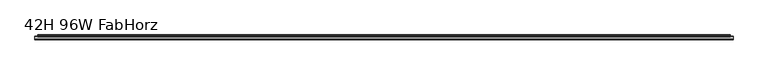
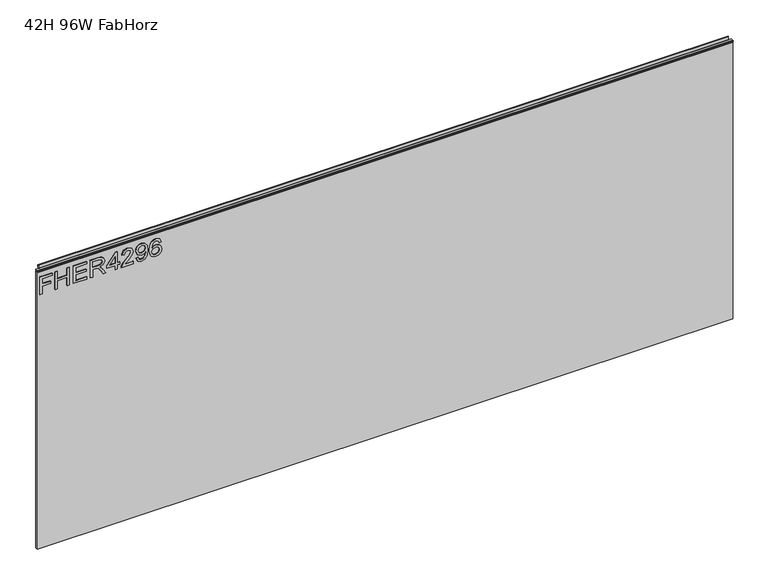
"""IFC4 building model written with IfcOpenShell, lengths in millimetres: furniture geometry, 42H 96W FabHorz."""

from ifc_helpers import new_model, si_unit, frame, origin, place, context, project, spatial, polyline, outline, extrude, source, transform, mapped, element, save


def furniture_42h_96w_fabhorz_49b9e7a6(model_context):
    return source(origin(), model_context, "Body", "SweptSolid", [
        extrude(outline(polyline([(951.4078, -291.2189953), (951.4078, -283.2452757), (980.3125336, -283.2452757), (980.3125336, -253.3438271), (988.2862532, -253.3438271), (988.2862532, -283.2452757), (1007.2238373, -283.2452757), (1007.2238373, -248.3602524), (1015.1975569, -248.3602524), (1015.1975569, -291.2189953), (951.4078, -291.2189953)])), frame((0.0, -5.5562439, 0.0), z_axis=(0.0, 1.0, 0.0), x_axis=(0.0, 0.0, 1.0)), (0.0, 0.0, 1.0), 2.38125),
        extrude(outline(polyline([(951.4078, -237.3963879), (951.4078, -229.4226683), (981.3092486, -229.4226683), (981.3092486, -195.5343599), (951.4078, -195.5343599), (951.4078, -187.5606403), (1015.1975569, -187.5606403), (1015.1975569, -195.5343599), (989.2829682, -195.5343599), (989.2829682, -229.4226683), (1015.1975569, -229.4226683), (1015.1975569, -237.3963879), (951.4078, -237.3963879)])), frame((0.0, -5.5562439, 0.0), z_axis=(0.0, 1.0, 0.0), x_axis=(0.0, 0.0, 1.0)), (0.0, 0.0, 1.0), 2.38125),
        extrude(outline(polyline([(951.4078, -173.606631), (951.4078, -126.7610282), (959.3815196, -126.7610282), (959.3815196, -165.6329113), (980.3125336, -165.6329113), (980.3125336, -129.7511731), (988.2862532, -129.7511731), (988.2862532, -165.6329113), (1007.2238373, -165.6329113), (1007.2238373, -127.7577432), (1015.1975569, -127.7577432), (1015.1975569, -173.606631), (951.4078, -173.606631)])), frame((0.0, -5.5562439, 0.0), z_axis=(0.0, 1.0, 0.0), x_axis=(0.0, 0.0, 1.0)), (0.0, 0.0, 1.0), 2.38125),
        extrude(outline(polyline([(951.4078, -114.8004488), (951.4078, -106.8267292), (979.3158187, -106.8267292), (979.3158187, -97.2022004), (979.0354926, -92.5768201), (977.5170596, -88.7846312), (973.38225, -84.5719531), (964.6298468, -78.5760897), (951.4078, -70.275323), (951.4078, -61.0089887), (968.694575, -71.6458061), (976.9018996, -78.1088796), (980.3125336, -82.6408179), (986.2461023, -69.2863949), (997.7394716, -64.9647012), (1007.3873609, -67.5732911), (1013.4766663, -74.5502957), (1015.1975569, -87.3129192), (1015.1975569, -114.8004488), (951.4078, -114.8004488)]), holes=[polyline([(987.2895383, -106.8267292), (1007.2238373, -106.8267292), (1007.2238373, -86.9702985), (1004.4672975, -76.3101206), (997.4435719, -72.9384208), (992.0317211, -74.7060325), (988.4186294, -79.8764913), (987.2895383, -88.9793021), (987.2895383, -106.8267292)])]), frame((0.0, -5.5562439, 0.0), z_axis=(0.0, 1.0, 0.0), x_axis=(0.0, 0.0, 1.0)), (0.0, 0.0, 1.0), 2.38125),
        extrude(outline(polyline([(951.4078, -28.0862479), (951.4078, -20.1125283), (966.3585243, -20.1125283), (966.3585243, -12.1388087), (974.3322439, -12.1388087), (974.3322439, -20.1125283), (1014.200842, -20.1125283), (1014.200842, -26.092818), (974.3322439, -56.9909816), (966.3585243, -56.9909816), (966.3585243, -28.0862479), (951.4078, -28.0862479)]), holes=[polyline([(974.3322439, -28.0862479), (974.3322439, -47.1795687), (998.9697916, -28.0862479), (974.3322439, -28.0862479)])]), frame((0.0, -5.5562439, 0.0), z_axis=(0.0, 1.0, 0.0), x_axis=(0.0, 0.0, 1.0)), (0.0, 0.0, 1.0), 2.38125),
        extrude(outline(polyline([(959.3815196, 35.703509), (959.3815196, 4.3848564), (963.4384609, 7.9823744), (971.108494, 17.1552667), (982.0334243, 28.5785545), (989.8514072, 33.28959), (997.4124245, 34.7067941), (1010.0893928, 29.4506801), (1015.1975569, 15.1774105), (1010.603324, 0.9508619), (997.2566878, -5.161804), (996.2599729, 2.8119156), (1004.3115608, 6.1680417), (1007.2238373, 15.0061001), (1004.2414793, 23.485964), (996.9296407, 26.7330744), (987.8969115, 23.2912931), (974.61257, 9.5241678), (965.3695962, -0.4585554), (956.9053059, -5.3019671), (951.4078, -6.158519), (951.4078, 35.703509), (959.3815196, 35.703509)])), frame((0.0, -5.5562439, 0.0), z_axis=(0.0, 1.0, 0.0), x_axis=(0.0, 0.0, 1.0)), (0.0, 0.0, 1.0), 2.38125),
        extrude(outline(polyline([(967.3552392, 44.6739436), (954.8573682, 50.3894809), (950.411085, 62.6459601), (954.1799135, 74.9569471), (965.1515648, 82.8761589), (984.5174248, 85.5392566), (1002.3648519, 82.868372), (1011.8647913, 75.0503891), (1015.1975569, 63.689396), (1013.7375253, 55.8149586), (1009.3574303, 49.3849791), (1002.5828833, 45.1041662), (993.9394959, 43.6772286), (979.0043452, 49.1202267), (973.3355289, 62.4435023), (975.6560059, 71.1881187), (980.1412232, 77.612258), (970.8904626, 76.4598064), (963.9601789, 73.8512164), (959.9032376, 69.4750149), (958.3848047, 63.0197282), (960.7442158, 56.2296076), (968.3519542, 52.6476632), (967.3552392, 44.6739436)]), holes=[polyline([(994.1263799, 77.565537), (984.7120957, 73.9602321), (981.3092486, 64.7639793), (984.7120957, 55.1861716), (993.5501541, 51.6509482), (1003.4160747, 55.3886293), (1007.2238373, 64.9820107), (1003.688614, 74.1237557), (994.1263799, 77.565537)])]), frame((0.0, -5.5562439, 0.0), z_axis=(0.0, 1.0, 0.0), x_axis=(0.0, 0.0, 1.0)), (0.0, 0.0, 1.0), 2.38125),
        extrude(outline(polyline([(998.2534028, 133.3815743), (1010.696766, 127.4947266), (1015.1975569, 114.8956267), (1013.3793308, 105.6409726), (1007.9246525, 98.496551), (997.0659103, 93.2637975), (981.1846592, 91.5195463), (967.0593395, 93.0905404), (957.5749738, 97.8035226), (952.2020572, 105.0082922), (950.411085, 114.0546485), (953.113117, 124.5045818), (960.8999526, 131.7463389), (971.9027512, 134.3782893), (980.0750351, 132.9805523), (986.5887231, 128.7873413), (992.273113, 115.2382475), (990.1940279, 106.5247785), (983.8321833, 99.493266), (998.0431582, 101.7592351), (1005.2927021, 107.2022332), (1007.2238373, 114.3972692), (1003.9066454, 122.3865625), (997.2566878, 125.4078547), (998.2534028, 133.3815743)]), holes=[polyline([(972.0273406, 99.493266), (980.91212, 103.4567653), (984.2993934, 113.1046545), (980.91212, 122.8771332), (971.6379988, 126.4045697), (961.9511754, 122.8304121), (958.3848047, 113.4317016), (960.1056953, 106.2444524), (965.1204174, 101.338746), (972.0273406, 99.493266)])]), frame((0.0, -5.5562439, 0.0), z_axis=(0.0, 1.0, 0.0), x_axis=(0.0, 0.0, 1.0)), (0.0, 0.0, 1.0), 2.38125),
        extrude(outline(polyline([(5.5562561, 1041.4), (6.3500061, 1041.4), (6.3500061, 1051.27425), (7.1437561, 1052.068), (8.6677569, 1052.068), (10.0084363, 1051.6506926), (10.875413, 1050.5461816), (10.9623604, 1049.1447591), (10.2390011, 1046.1863459), (10.4046103, 1044.9833307), (11.6746103, 1042.7836103), (10.7786383, 1042.2663244), (7.1437561, 1042.2663244), (7.1437561, 1041.4), (6.3500061, 1041.1669239), (6.3500061, 1033.9578), (5.5562561, 1033.9578), (5.5562561, 1041.4)])), frame((-288.671, 0.0, 0.0), z_axis=(1.0, 0.0, 0.0), x_axis=(0.0, 1.0, 0.0)), (0.0, 0.0, 1.0), 2406.142),
        extrude(outline(polyline([(5.5562561, 1041.4), (5.5562561, 1038.2249996), (-3.975094, 1038.2249996), (-5.3492339, 1039.0183657), (-5.3492339, 1040.6066395), (-3.9751037, 1041.4), (5.5562561, 1041.4)])), frame((-298.196, 0.0, 0.0), z_axis=(1.0, 0.0, 0.0), x_axis=(0.0, 1.0, 0.0)), (0.0, 0.0, 1.0), 2425.192),
        extrude(outline(polyline([(2126.996, 6.3500061), (2126.996, -3.1749939), (-298.196, -3.1749939), (-298.196, 6.3500061), (2126.996, 6.3500061)])), frame((0.0, 0.0, 13.5381927), z_axis=(0.0, 0.0, 1.0), x_axis=(1.0, 0.0, 0.0)), (0.0, 0.0, 1.0), 1020.4196073),
    ])


if __name__ == "__main__":
    model = new_model("IFC4")
    model_context = context("Model", 3, world=origin())
    ifc_project = project(units=[si_unit("LENGTHUNIT", "METRE", prefix="MILLI")], contexts=[model_context])
    site = spatial("IfcSite", under=ifc_project)
    building = spatial("IfcBuilding", under=site)
    placement = place(None, origin())
    furniture_42h_96w_fabhorz_shape = furniture_42h_96w_fabhorz_49b9e7a6(model_context)
    element("IfcFurniture", 1, ObjectType="42H 96W FabHorz", at=placement, inside=building, context=model_context, shape_type="MappedRepresentation", body=[
        mapped(furniture_42h_96w_fabhorz_shape, transform((0.0, 0.0, 0.0), x_axis=(1.0, 0.0, 0.0), y_axis=(0.0, 1.0, 0.0), z_axis=(0.0, 0.0, 1.0))),
    ])
    save(model, "model.ifc")
